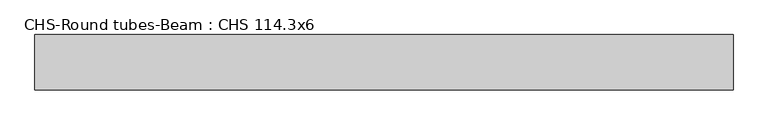
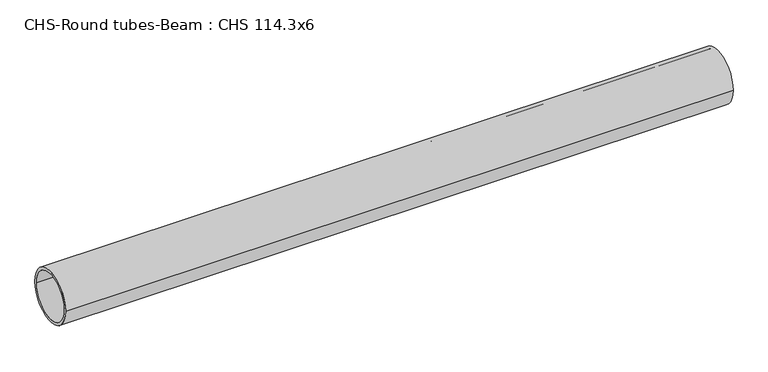
"""IFC4 building model written with IfcOpenShell, lengths in millimetres: beam geometry, CHS-Round tubes-Beam : CHS 114.3x6."""

from ifc_helpers import new_model, si_unit, point, frame, origin, origin_2d, place, context, project, spatial, circle_curve, trimmed, segment, composite_curve, outline, extrude, source, transform, mapped, element, save


def chs_round_tubes_beam_chs_114_3x6_2935bac0(model_context):
    return source(origin(), model_context, "Body", "SweptSolid", [
        extrude(outline(composite_curve([segment(trimmed(circle_curve(origin_2d(), 57.15), [point((57.15, 0.0))], [point((-57.15, 0.0))], False, "CARTESIAN"), True, "CONTINUOUS"), segment(trimmed(circle_curve(origin_2d(), 57.15), [point((-57.15, 0.0))], [point((57.15, 0.0))], False, "CARTESIAN"), True, "CONTINUOUS")], self_intersect=False), holes=[composite_curve([segment(trimmed(circle_curve(origin_2d(), 51.15), [point((51.15, 0.0))], [point((-51.15, 0.0))], True, "CARTESIAN"), True, "CONTINUOUS"), segment(trimmed(circle_curve(origin_2d(), 51.15), [point((-51.15, 0.0))], [point((51.15, 0.0))], True, "CARTESIAN"), True, "CONTINUOUS")], self_intersect=False)]), frame((-701.5964694, 0.0, 0.0), z_axis=(1.0, 0.0, 0.0), x_axis=(0.0, 1.0, 0.0)), (0.0, 0.0, 1.0), 1438.0426791),
    ])


if __name__ == "__main__":
    model = new_model("IFC4")
    model_context = context("Model", 3, world=origin())
    ifc_project = project(units=[si_unit("LENGTHUNIT", "METRE", prefix="MILLI")], contexts=[model_context])
    site = spatial("IfcSite", under=ifc_project)
    building = spatial("IfcBuilding", under=site)
    placement = place(None, origin())
    chs_round_tubes_beam_chs_114_3x6_shape = chs_round_tubes_beam_chs_114_3x6_2935bac0(model_context)
    element("IfcBeam", 1, ObjectType="CHS-Round tubes-Beam : CHS 114.3x6", at=placement, inside=building, context=model_context, shape_type="MappedRepresentation", body=[
        mapped(chs_round_tubes_beam_chs_114_3x6_shape, transform((0.0, 0.0, 0.0), x_axis=(1.0, 0.0, 0.0), y_axis=(0.0, 1.0, 0.0), z_axis=(0.0, 0.0, 1.0))),
    ])
    save(model, "model.ifc")
